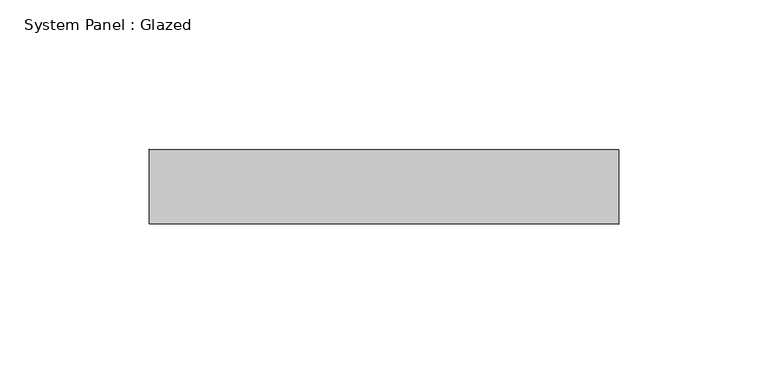
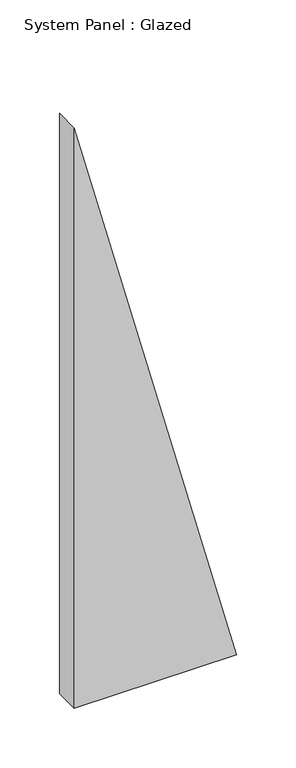
"""IFC4 building model written with IfcOpenShell, lengths in millimetres: plate geometry, System Panel : Glazed."""

from ifc_helpers import new_model, si_unit, frame, origin, place, context, project, spatial, polyline, outline, extrude, source, transform, mapped, element, save


def system_panel_glazed_9d3a4dfb(model_context):
    return source(origin(), model_context, "Body", "SweptSolid", [
        extrude(outline(polyline([(0.0, -78.5714284), (0.0, 78.5714284), (594.5945934, -78.5714284), (0.0, -78.5714284)])), frame((0.0, 24.5, 0.0), z_axis=(0.0, 1.0, 0.0), x_axis=(0.0, 0.0, 1.0)), (0.0, 0.0, 1.0), 25.0),
    ])


if __name__ == "__main__":
    model = new_model("IFC4")
    model_context = context("Model", 3, world=origin())
    ifc_project = project(units=[si_unit("LENGTHUNIT", "METRE", prefix="MILLI")], contexts=[model_context])
    site = spatial("IfcSite", under=ifc_project)
    building = spatial("IfcBuilding", under=site)
    placement = place(None, origin())
    system_panel_glazed_shape = system_panel_glazed_9d3a4dfb(model_context)
    element("IfcPlate", 1, ObjectType="System Panel : Glazed", at=placement, inside=building, context=model_context, shape_type="MappedRepresentation", body=[
        mapped(system_panel_glazed_shape, transform((0.0, 0.0, 0.0), x_axis=(1.0, 0.0, 0.0), y_axis=(0.0, 1.0, 0.0), z_axis=(0.0, 0.0, 1.0))),
    ])
    save(model, "model.ifc")
